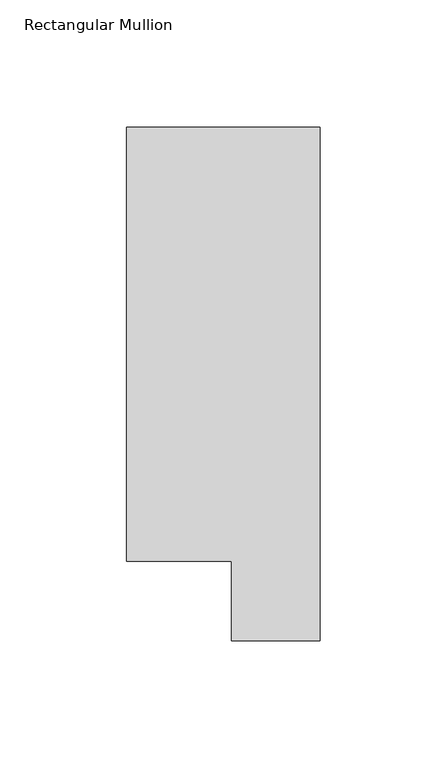
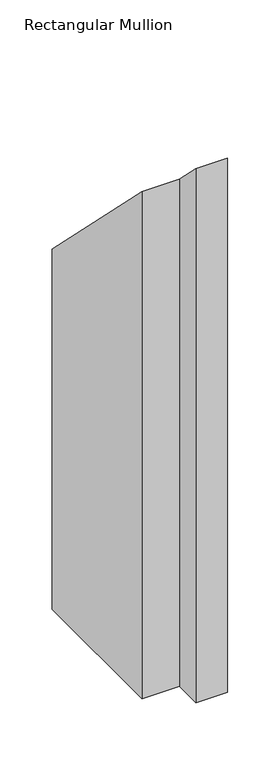
"""IFC4 building model written with IfcOpenShell, lengths in millimetres: member geometry, Rectangular Mullion."""

from ifc_helpers import new_model, si_unit, origin, place, context, project, spatial, faceted_brep, source, transform, mapped, element, save


def rectangular_mullion_23ec689d(model_context):
    return source(origin(), model_context, "Body", "Brep", [
        faceted_brep([(0.0, 222.0301313, -641.3499999), (0.0, 19.5667313, -641.3499999), (-34.9123, 19.5667312, -641.3499999), (-34.9123, 50.820278, -641.3499999), (-76.2, 50.820278, -641.3499999), (-76.2, 222.0301313, -641.3499999), (-76.2, 222.0301313, -222.0301313), (0.0, 222.0301313, -222.0301313), (-76.2, 50.820278, -50.820278), (-34.9123, 50.820278, -50.820278), (-34.9123, 19.5667312, -19.5667313), (0.0, 19.5667313, -19.5667313)], [[[0, 1, 2, 3, 4, 5]], [[6, 7, 0, 5]], [[8, 6, 5, 4]], [[9, 8, 4, 3]], [[10, 9, 3, 2]], [[11, 10, 2, 1]], [[7, 11, 1, 0]], [[7, 6, 8, 9, 10, 11]]]),
    ])


if __name__ == "__main__":
    model = new_model("IFC4")
    model_context = context("Model", 3, world=origin())
    ifc_project = project(units=[si_unit("LENGTHUNIT", "METRE", prefix="MILLI")], contexts=[model_context])
    site = spatial("IfcSite", under=ifc_project)
    building = spatial("IfcBuilding", under=site)
    placement = place(None, origin())
    rectangular_mullion_shape = rectangular_mullion_23ec689d(model_context)
    element("IfcMember", 1, ObjectType="Rectangular Mullion", at=placement, inside=building, context=model_context, shape_type="MappedRepresentation", body=[
        mapped(rectangular_mullion_shape, transform((0.0, 0.0, 0.0), x_axis=(1.0, 0.0, 0.0), y_axis=(0.0, 1.0, 0.0), z_axis=(0.0, 0.0, 1.0))),
    ])
    save(model, "model.ifc")
